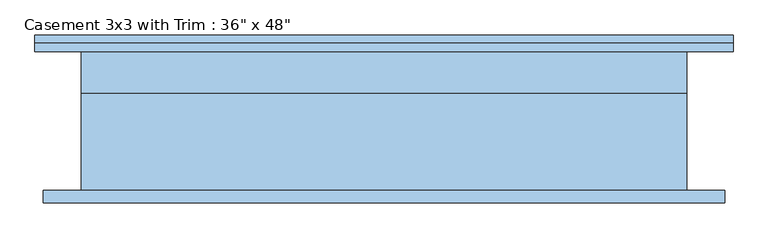
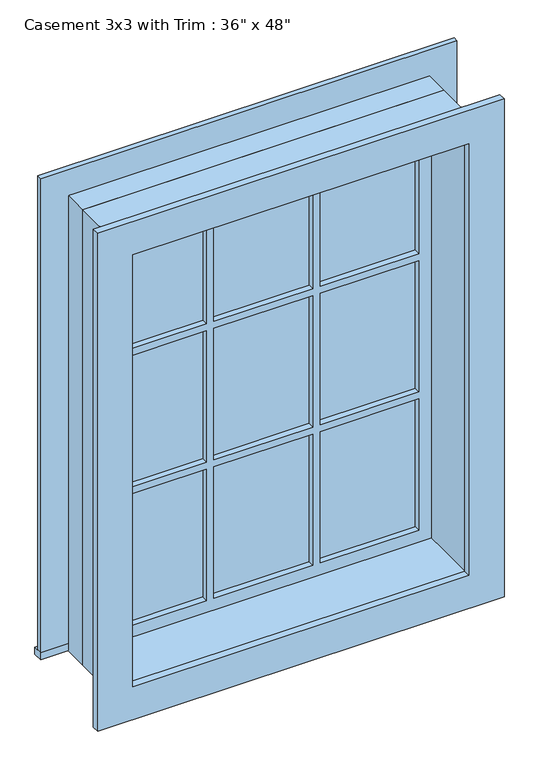
"""IFC4 building model written with IfcOpenShell, lengths in millimetres: window geometry."""

from ifc_helpers import new_model, si_unit, frame, origin, place, context, project, spatial, polyline, outline, extrude, source, transform, mapped, element, save


def window_3ab59c0d(model_context):
    return source(origin(), model_context, "Body", "SweptSolid", [
        extrude(outline(polyline([(-527.05, 130.175), (527.05, 130.175), (527.05, 104.775), (-527.05, 104.775), (-527.05, 130.175)])), frame((0.0, 0.0, 914.4), z_axis=(0.0, 0.0, 1.0), x_axis=(1.0, 0.0, 0.0)), (0.0, 0.0, 1.0), 19.05),
        extrude(outline(polyline([(2114.55, -438.15), (2114.55, 438.15), (933.45, 438.15), (933.45, 527.05), (2203.45, 527.05), (2203.45, -527.05), (933.45, -527.05), (933.45, -438.15), (2114.55, -438.15)])), frame((0.0, 104.775, 0.0), z_axis=(0.0, 1.0, 0.0), x_axis=(0.0, 0.0, 1.0)), (0.0, 0.0, 1.0), 12.7),
        extrude(outline(polyline([(143.9333333, 69.85), (393.7, 69.85), (393.7, 57.15), (143.9333333, 57.15), (143.9333333, 69.85)])), frame((0.0, 0.0, 1718.7333333), z_axis=(0.0, 0.0, 1.0), x_axis=(1.0, 0.0, 0.0)), (0.0, 0.0, 1.0), 351.3666667),
        extrude(outline(polyline([(-124.8833333, 69.85), (124.8833333, 69.85), (124.8833333, 57.15), (-124.8833333, 57.15), (-124.8833333, 69.85)])), frame((0.0, 0.0, 1718.7333333), z_axis=(0.0, 0.0, 1.0), x_axis=(1.0, 0.0, 0.0)), (0.0, 0.0, 1.0), 351.3666667),
        extrude(outline(polyline([(-393.7, 69.85), (-143.9333333, 69.85), (-143.9333333, 57.15), (-393.7, 57.15), (-393.7, 69.85)])), frame((0.0, 0.0, 1718.7333333), z_axis=(0.0, 0.0, 1.0), x_axis=(1.0, 0.0, 0.0)), (0.0, 0.0, 1.0), 351.3666667),
        extrude(outline(polyline([(-393.7, 69.85), (-143.9333333, 69.85), (-143.9333333, 57.15), (-393.7, 57.15), (-393.7, 69.85)])), frame((0.0, 0.0, 1348.3166667), z_axis=(0.0, 0.0, 1.0), x_axis=(1.0, 0.0, 0.0)), (0.0, 0.0, 1.0), 351.3666667),
        extrude(outline(polyline([(-124.8833333, 69.85), (124.8833333, 69.85), (124.8833333, 57.15), (-124.8833333, 57.15), (-124.8833333, 69.85)])), frame((0.0, 0.0, 1348.3166667), z_axis=(0.0, 0.0, 1.0), x_axis=(1.0, 0.0, 0.0)), (0.0, 0.0, 1.0), 351.3666667),
        extrude(outline(polyline([(143.9333333, 69.85), (393.7, 69.85), (393.7, 57.15), (143.9333333, 57.15), (143.9333333, 69.85)])), frame((0.0, 0.0, 1348.3166667), z_axis=(0.0, 0.0, 1.0), x_axis=(1.0, 0.0, 0.0)), (0.0, 0.0, 1.0), 351.3666667),
        extrude(outline(polyline([(143.9333333, 69.85), (393.7, 69.85), (393.7, 57.15), (143.9333333, 57.15), (143.9333333, 69.85)])), frame((0.0, 0.0, 977.9), z_axis=(0.0, 0.0, 1.0), x_axis=(1.0, 0.0, 0.0)), (0.0, 0.0, 1.0), 351.3666667),
        extrude(outline(polyline([(-124.8833333, 69.85), (124.8833333, 69.85), (124.8833333, 57.15), (-124.8833333, 57.15), (-124.8833333, 69.85)])), frame((0.0, 0.0, 977.9), z_axis=(0.0, 0.0, 1.0), x_axis=(1.0, 0.0, 0.0)), (0.0, 0.0, 1.0), 351.3666667),
        extrude(outline(polyline([(-393.7, 69.85), (-143.9333333, 69.85), (-143.9333333, 57.15), (-393.7, 57.15), (-393.7, 69.85)])), frame((0.0, 0.0, 977.9), z_axis=(0.0, 0.0, 1.0), x_axis=(1.0, 0.0, 0.0)), (0.0, 0.0, 1.0), 351.3666667),
        extrude(outline(polyline([(2190.75, 514.35), (2190.75, -514.35), (857.25, -514.35), (857.25, 514.35), (2190.75, 514.35)]), holes=[polyline([(2101.85, 425.45), (946.15, 425.45), (946.15, -425.45), (2101.85, -425.45), (2101.85, 425.45)])]), frame((0.0, -123.825, 0.0), z_axis=(0.0, 1.0, 0.0), x_axis=(0.0, 0.0, 1.0)), (0.0, 0.0, 1.0), 19.05),
        extrude(outline(polyline([(2114.55, -438.15), (933.45, -438.15), (933.45, 438.15), (2114.55, 438.15), (2114.55, -438.15)]), holes=[polyline([(2070.1, -143.9333333), (1718.7333333, -143.9333333), (1718.7333333, -393.7), (2070.1, -393.7), (2070.1, -143.9333333)]), polyline([(1699.6833333, -143.9333333), (1348.3166667, -143.9333333), (1348.3166667, -393.7), (1699.6833333, -393.7), (1699.6833333, -143.9333333)]), polyline([(1329.2666667, -143.9333333), (977.9, -143.9333333), (977.9, -393.7), (1329.2666667, -393.7), (1329.2666667, -143.9333333)]), polyline([(2070.1, 124.8833333), (1718.7333333, 124.8833333), (1718.7333333, -124.8833333), (2070.1, -124.8833333), (2070.1, 124.8833333)]), polyline([(1699.6833333, 124.8833333), (1348.3166667, 124.8833333), (1348.3166667, -124.8833333), (1699.6833333, -124.8833333), (1699.6833333, 124.8833333)]), polyline([(1329.2666667, 124.8833333), (977.9, 124.8833333), (977.9, -124.8833333), (1329.2666667, -124.8833333), (1329.2666667, 124.8833333)]), polyline([(2070.1, 393.7), (1718.7333333, 393.7), (1718.7333333, 143.9333333), (2070.1, 143.9333333), (2070.1, 393.7)]), polyline([(1699.6833333, 393.7), (1348.3166667, 393.7), (1348.3166667, 143.9333333), (1699.6833333, 143.9333333), (1699.6833333, 393.7)]), polyline([(1329.2666667, 393.7), (977.9, 393.7), (977.9, 143.9333333), (1329.2666667, 143.9333333), (1329.2666667, 393.7)])]), frame((0.0, 41.275, 0.0), z_axis=(0.0, 1.0, 0.0), x_axis=(0.0, 0.0, 1.0)), (0.0, 0.0, 1.0), 44.45),
        extrude(outline(polyline([(2133.6, -457.2), (914.4, -457.2), (914.4, 457.2), (2133.6, 457.2), (2133.6, -457.2)]), holes=[polyline([(2101.85, -425.45), (2101.85, 425.45), (946.15, 425.45), (946.15, -425.45), (2101.85, -425.45)])]), frame((0.0, -104.775, 0.0), z_axis=(0.0, 1.0, 0.0), x_axis=(0.0, 0.0, 1.0)), (0.0, 0.0, 1.0), 146.05),
        extrude(outline(polyline([(2133.6, 457.2), (2133.6, -457.2), (914.4, -457.2), (914.4, 457.2), (2133.6, 457.2)]), holes=[polyline([(2114.55, 438.15), (933.45, 438.15), (933.45, -438.15), (2114.55, -438.15), (2114.55, 438.15)])]), frame((0.0, 41.275, 0.0), z_axis=(0.0, 1.0, 0.0), x_axis=(0.0, 0.0, 1.0)), (0.0, 0.0, 1.0), 63.5),
    ])


if __name__ == "__main__":
    model = new_model("IFC4")
    model_context = context("Model", 3, world=origin())
    ifc_project = project(units=[si_unit("LENGTHUNIT", "METRE", prefix="MILLI")], contexts=[model_context])
    site = spatial("IfcSite", under=ifc_project)
    building = spatial("IfcBuilding", under=site)
    placement = place(None, origin())
    window_shape = window_3ab59c0d(model_context)
    element("IfcWindow", 1, ObjectType="Casement 3x3 with Trim : 36\" x 48\"", at=placement, inside=building, context=model_context, shape_type="MappedRepresentation", body=[
        mapped(window_shape, transform((0.0, 0.0, 0.0), x_axis=(1.0, 0.0, 0.0), y_axis=(0.0, 1.0, 0.0), z_axis=(0.0, 0.0, 1.0))),
    ])
    save(model, "model.ifc")
